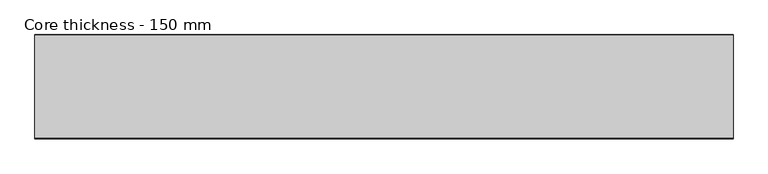
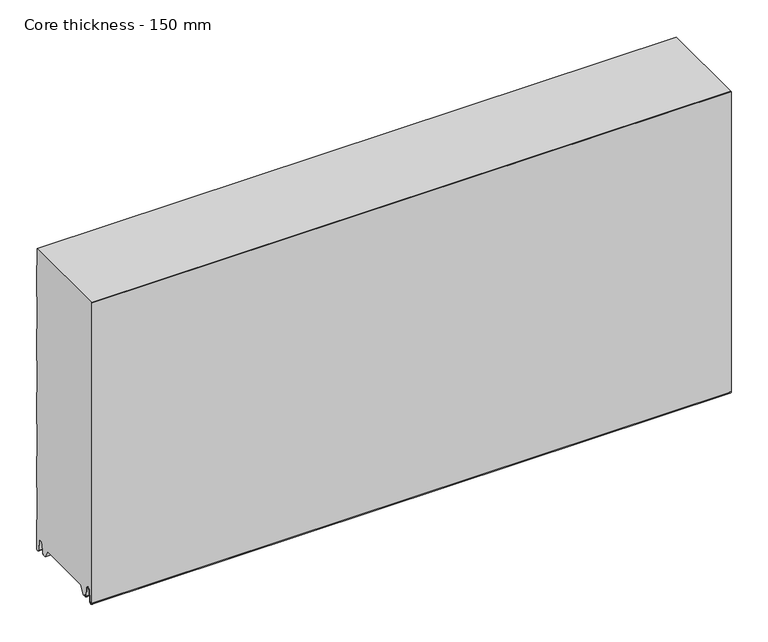
"""IFC4 building model written with IfcOpenShell, lengths in millimetres: plate geometry, Core thickness - 150 mm."""

import ifcopenshell
import ifcopenshell.guid

model = None  # the IFC model being written
_history = None  # IfcOwnerHistory: only IFC2X3 demands one
_inside = {}  # id of a spatial element -> (the spatial element, [elements in it])
_under = {}  # id of a project, library or spatial element -> (it, [spatial elements below it])
_declared = {}  # id of a project -> (the project, [libraries it declares])
_typed = {}  # id of a type object -> (the type object, [elements of that type])
_made_of = {}  # id of a material, layer set ... -> (it, [elements and type objects made of it])


def new_model(schema):
    """Start an empty IFC model of exactly this schema.

    Asked for "IFC4X3", IfcOpenShell would pick the latest addendum, in which some entities
    have other attributes; the version numbers below select the first issue.
    IFC2X3 requires an IfcOwnerHistory on every rooted entity: one is made here for all.
    """
    global model, _history
    if schema == "IFC4X3":
        model = ifcopenshell.file(schema_version=(4, 3, 0, 0))
    else:
        model = ifcopenshell.file(schema=schema)
    _inside.clear()
    _under.clear()
    _declared.clear()
    _typed.clear()
    _made_of.clear()
    _history = None
    if model.schema == "IFC2X3":
        org = make("IfcOrganization", Name="unknown")
        user = make(
            "IfcPersonAndOrganization",
            ThePerson=make("IfcPerson", FamilyName="unknown"),
            TheOrganization=org,
        )
        app = make(
            "IfcApplication",
            ApplicationDeveloper=org,
            Version="unknown",
            ApplicationFullName="unknown",
            ApplicationIdentifier="unknown",
        )
        _history = make(
            "IfcOwnerHistory",
            OwningUser=user,
            OwningApplication=app,
            ChangeAction="ADDED",
            CreationDate=0,
        )
    return model


def make(cls, **values):
    """One entity of the class cls with the attributes given. An attribute that is None is left unset."""
    return model.create_entity(
        cls, **{name: value for name, value in values.items() if value is not None}
    )


def rooted(cls, **values):
    """An entity with a GlobalId (a new one), such as an element, a storey or a relation."""
    return make(cls, GlobalId=ifcopenshell.guid.new(), OwnerHistory=_history, **values)


def si_unit(unit_type, name, prefix=None):
    """IfcSIUnit, for example si_unit("LENGTHUNIT", "METRE", prefix="MILLI")."""
    return make("IfcSIUnit", UnitType=unit_type, Prefix=prefix, Name=name)


def assignment(units):
    """IfcUnitAssignment: the units of a project."""
    return None if units is None else make("IfcUnitAssignment", Units=units)


def point(xyz):
    """IfcCartesianPoint."""
    return None if xyz is None else make("IfcCartesianPoint", Coordinates=xyz)


def direction(xyz):
    """IfcDirection."""
    return None if xyz is None else make("IfcDirection", DirectionRatios=xyz)


def frame(location, z_axis=None, x_axis=None):
    """IfcAxis2Placement3D, a coordinate frame: its origin and axes. An axis left out is left unset."""
    return make(
        "IfcAxis2Placement3D",
        Location=point(location),
        Axis=direction(z_axis),
        RefDirection=direction(x_axis),
    )


def origin():
    """The frame at (0, 0, 0) with its axes left unset."""
    return frame((0.0, 0.0, 0.0))


def place(relative_to, where):
    """IfcLocalPlacement: puts the frame where relative to a parent placement (None: the world)."""
    return make(
        "IfcLocalPlacement", PlacementRelTo=relative_to, RelativePlacement=where
    )


def context(
    kind, dimensions, precision=None, world=None, true_north=None, identifier=None
):
    """IfcGeometricRepresentationContext, for example the 3D "Model" context."""
    return make(
        "IfcGeometricRepresentationContext",
        ContextIdentifier=identifier,
        ContextType=kind,
        CoordinateSpaceDimension=dimensions,
        Precision=precision,
        WorldCoordinateSystem=world,
        TrueNorth=true_north,
    )


def project(units=None, contexts=None):
    """IfcProject with its units and contexts."""
    return rooted(
        "IfcProject",
        Name="project",
        RepresentationContexts=contexts,
        UnitsInContext=assignment(units),
    )


def spatial(cls, under=None, at=None, **own):
    """A site, building, storey or space (cls), placed at a placement, below another one or the project."""
    s = rooted(cls, ObjectPlacement=at, **own)
    if under is not None:
        _under.setdefault(under.id(), (under, []))[1].append(s)
    return s


def polyline(points):
    """IfcPolyline through the points."""
    return make("IfcPolyline", Points=[point(p) for p in points])


def circle_curve(where, radius):
    """IfcCircle in the frame where."""
    return make("IfcCircle", Position=where, Radius=radius)


def shape(context_of_items, identifier, shape_type, items):
    """IfcShapeRepresentation: the items that make up one representation, for example the "Body"."""
    return make(
        "IfcShapeRepresentation",
        ContextOfItems=context_of_items,
        RepresentationIdentifier=identifier,
        RepresentationType=shape_type,
        Items=items,
    )


def source(mapping_origin, context_of_items, identifier, shape_type, items):
    """IfcRepresentationMap: a shape defined once, which mapped items show again and again."""
    return make(
        "IfcRepresentationMap",
        MappingOrigin=mapping_origin,
        MappedRepresentation=shape(context_of_items, identifier, shape_type, items),
    )


def transform(
    local_origin,
    x_axis=None,
    y_axis=None,
    z_axis=None,
    scale=None,
    scale2=None,
    scale3=None,
    uniform=True,
):
    """IfcCartesianTransformationOperator3D, or its non-uniform kind. x_axis, y_axis, z_axis: its Axis1, 2, 3."""
    if uniform:
        return make(
            "IfcCartesianTransformationOperator3D",
            Axis1=direction(x_axis),
            Axis2=direction(y_axis),
            LocalOrigin=point(local_origin),
            Scale=scale,
            Axis3=direction(z_axis),
        )
    return make(
        "IfcCartesianTransformationOperator3DnonUniform",
        Axis1=direction(x_axis),
        Axis2=direction(y_axis),
        LocalOrigin=point(local_origin),
        Scale=scale,
        Axis3=direction(z_axis),
        Scale2=scale2,
        Scale3=scale3,
    )


def mapped(mapping_source, mapping_target):
    """IfcMappedItem: shows the shape of a source again, moved by a transform."""
    return make(
        "IfcMappedItem", MappingSource=mapping_source, MappingTarget=mapping_target
    )


def made_of(thing, what):
    """Note that an element or type object is made of a material, layer set ...; save() writes the relation."""
    if what is not None:
        _made_of.setdefault(what.id(), (what, []))[1].append(thing)
    return thing


def element(
    cls,
    number,
    at=None,
    inside=None,
    cuts=None,
    type_object=None,
    material=None,
    context=None,
    identifier="Body",
    shape_type=None,
    held_by="IfcProductDefinitionShape",
    body=None,
    shapes=None,
    **own,
):
    """One element of the class cls, such as IfcWall. Its Tag is "e" and its number.

    at: its placement. inside: the storey or other place that contains it. cuts: it is an
    opening in that element (IfcRelVoidsElement). A single representation is given by context,
    identifier, shape_type and body (its items); several are given by shapes. held_by: the class
    of the entity that holds the representations. save() writes the other relations.
    """
    e = rooted(cls, Tag="e%d" % number, ObjectPlacement=at, **own)
    if body is not None:
        shapes = [shape(context, identifier, shape_type, body)]
    if shapes is not None:
        e.Representation = make(held_by, Representations=shapes)
    if inside is not None:
        _inside.setdefault(inside.id(), (inside, []))[1].append(e)
    if cuts is not None:
        rooted(
            "IfcRelVoidsElement", RelatingBuildingElement=cuts, RelatedOpeningElement=e
        )
    if type_object is not None:
        _typed.setdefault(type_object.id(), (type_object, []))[1].append(e)
    return made_of(e, material)


def aggregate(whole, parts):
    """IfcRelAggregates: a whole, such as a stair, and the parts it consists of."""
    return rooted("IfcRelAggregates", RelatingObject=whole, RelatedObjects=parts)


def save(model, path):
    """Write the relations noted so far, then the file.

    IfcRelAggregates (storeys below a building ...), IfcRelContainedInSpatialStructure (elements
    in a storey), IfcRelDefinesByType, IfcRelAssociatesMaterial and IfcRelDeclares: one each for
    every whole, place, type object, material and project.
    """
    for whole, parts in _under.values():
        aggregate(whole, parts)
    for where, things in _inside.values():
        rooted(
            "IfcRelContainedInSpatialStructure",
            RelatedElements=things,
            RelatingStructure=where,
        )
    for kind, things in _typed.values():
        rooted("IfcRelDefinesByType", RelatedObjects=things, RelatingType=kind)
    for what, things in _made_of.values():
        rooted("IfcRelAssociatesMaterial", RelatedObjects=things, RelatingMaterial=what)
    for by, libraries in _declared.values():
        rooted("IfcRelDeclares", RelatingContext=by, RelatedDefinitions=libraries)
    model.write(path)


def plane_surface(at):
    """IfcPlane: the flat surface through the origin of the frame at, square to its z axis."""
    return make("IfcPlane", Position=at)


def cylinder_surface(at, radius):
    """IfcCylindricalSurface: all points at the distance radius from the z axis of the frame at."""
    return make("IfcCylindricalSurface", Position=at, Radius=radius)


def revolved_surface(curve, axis_point, axis_direction):
    """IfcSurfaceOfRevolution: the curve turned about the line through axis_point along axis_direction."""
    return make(
        "IfcSurfaceOfRevolution",
        SweptCurve=make("IfcArbitraryOpenProfileDef", ProfileType="CURVE", Curve=curve),
        AxisPosition=make("IfcAxis1Placement", Location=point(axis_point), Axis=direction(axis_direction)),
    )


def advanced_brep(points, edges, surfaces, faces):
    """IfcAdvancedBrep: a solid bounded by faces that lie on surfaces and meet in shared edges.

    An edge is (start, end): straight between two places in points (the first is 0);
    or (start, end, curve); or (start, end, curve, False) where it runs against its curve.
    A face is (place in surfaces, loops), or (place, loops, False) where it looks against
    its surface's normal. A loop lists edges by number (the first is 1), with a minus sign
    where the edge is run from its end to its start. The first loop is the outer one.
    """
    corners = [point(p) for p in points]
    vertices = [make("IfcVertexPoint", VertexGeometry=c) for c in corners]
    made = []
    for start, end, *more in edges:
        made.append(
            make(
                "IfcEdgeCurve",
                EdgeStart=vertices[start],
                EdgeEnd=vertices[end],
                EdgeGeometry=more[0] if more else make("IfcPolyline", Points=[corners[start], corners[end]]),
                SameSense=more[1] if len(more) > 1 else True,
            )
        )
    hull = []
    for where, loops, *sense in faces:
        bounds = []
        for j, loop in enumerate(loops):
            ring = [make("IfcOrientedEdge", EdgeElement=made[abs(k) - 1], Orientation=k > 0) for k in loop]
            bounds.append(
                make(
                    "IfcFaceOuterBound" if j == 0 else "IfcFaceBound",
                    Bound=make("IfcEdgeLoop", EdgeList=ring),
                    Orientation=True,
                )
            )
        hull.append(make("IfcAdvancedFace", Bounds=bounds, FaceSurface=surfaces[where], SameSense=sense[0] if sense else True))
    return make("IfcAdvancedBrep", Outer=make("IfcClosedShell", CfsFaces=hull))


def core_thickness_150_mm_644fc49a(model_context):
    return source(origin(), model_context, "Body", "AdvancedBrep", [
        advanced_brep(
        [(500.0000002, -149.9996949, 3.0900682), (500.0000002, -143.81449, 2.7875612), (500.0000002, -142.197116, 19.2828169), (500.0000002, -139.1776715, 21.9898782), (500.0000002, -136.1582271, 19.2828169), (500.0000002, -134.7725998, 5.1510966), (500.0000002, -130.3830995, 5.365779), (500.0000002, -131.1830995, 5.365779), (500.0000002, -133.9764178, 5.2291629), (500.0000002, -135.3620451, 19.3608832), (500.0000002, -139.1776715, 22.7899182), (500.0000002, -142.9932979, 19.3608832), (500.0000002, -144.6106719, 2.8656275), (500.0000002, -149.1996949, 3.0900682), (500.0000002, -149.2, 500.0), (500.0000002, -149.9996949, 500.0), (-500.0000002, -149.1996949, 3.0900682), (-500.0000002, -144.6106719, 2.8656275), (-500.0000002, -142.9932979, 19.3608832), (-500.0000002, -139.1776715, 22.7899182), (-500.0000002, -135.3620451, 19.3608832), (-500.0000002, -133.9764178, 5.2291629), (-500.0000002, -131.1830995, 5.365779), (-500.0000002, -130.3830995, 5.365779), (-500.0000002, -134.7725998, 5.1510966), (-500.0000002, -136.1582271, 19.2828169), (-500.0000002, -139.1776715, 21.9898782), (-500.0000002, -142.197116, 19.2828169), (-500.0000002, -143.81449, 2.7875612), (-500.0000002, -149.9996949, 3.0900682), (-500.0000002, -149.9996949, 500.0), (-500.0000002, -149.2, 500.0)],
        [
            (0, 1, circle_curve(frame((500.0000002, -146.8996949, 3.0900682), z_axis=(1.0, 0.0, 0.0), x_axis=(0.0, 0.0, -1.0)), 3.1)),
            (1, 2),
            (2, 3, circle_curve(frame((500.0000002, -139.2114338, 18.9900682), z_axis=(-1.0, 0.0, 0.0), x_axis=(0.0, 0.0, -1.0)), 3.0)),
            (3, 4, circle_curve(frame((500.0000002, -139.1439093, 18.9900682), z_axis=(-1.0, 0.0, 0.0), x_axis=(0.0, 0.0, -1.0)), 3.0)),
            (4, 5),
            (5, 6, circle_curve(frame((500.0000002, -132.5830995, 5.365779), z_axis=(1.0, 0.0, 0.0), x_axis=(0.0, 0.0, -1.0)), 2.2)),
            (6, 7),
            (7, 8, circle_curve(frame((500.0000002, -132.5830995, 5.365779), z_axis=(-1.0, 0.0, 0.0), x_axis=(0.0, 0.0, -1.0)), 1.4)),
            (8, 9),
            (9, 10, circle_curve(frame((500.0000002, -139.1439093, 18.9900682), z_axis=(1.0, 0.0, 0.0), x_axis=(0.0, 0.0, -1.0)), 3.8)),
            (10, 11, circle_curve(frame((500.0000002, -139.2114338, 18.9900682), z_axis=(1.0, 0.0, 0.0), x_axis=(0.0, 0.0, -1.0)), 3.8)),
            (11, 12),
            (12, 13, circle_curve(frame((500.0000002, -146.8996949, 3.0900682), z_axis=(-1.0, 0.0, 0.0), x_axis=(0.0, 0.0, -1.0)), 2.3)),
            (13, 14),
            (14, 15),
            (15, 0),
            (16, 17, circle_curve(frame((-500.0000002, -146.8996949, 3.0900682), z_axis=(1.0, 0.0, 0.0), x_axis=(0.0, 0.0, -1.0)), 2.3)),
            (17, 18),
            (18, 19, circle_curve(frame((-500.0000002, -139.2114338, 18.9900682), z_axis=(-1.0, 0.0, 0.0), x_axis=(0.0, 0.0, -1.0)), 3.8)),
            (19, 20, circle_curve(frame((-500.0000002, -139.1439093, 18.9900682), z_axis=(-1.0, 0.0, 0.0), x_axis=(0.0, 0.0, -1.0)), 3.8)),
            (20, 21),
            (21, 22, circle_curve(frame((-500.0000002, -132.5830995, 5.365779), z_axis=(1.0, 0.0, 0.0), x_axis=(0.0, 0.0, -1.0)), 1.4)),
            (22, 23),
            (23, 24, circle_curve(frame((-500.0000002, -132.5830995, 5.365779), z_axis=(-1.0, 0.0, 0.0), x_axis=(0.0, 0.0, -1.0)), 2.2)),
            (24, 25),
            (25, 26, circle_curve(frame((-500.0000002, -139.1439093, 18.9900682), z_axis=(1.0, 0.0, 0.0), x_axis=(0.0, 0.0, -1.0)), 3.0)),
            (26, 27, circle_curve(frame((-500.0000002, -139.2114338, 18.9900682), z_axis=(1.0, 0.0, 0.0), x_axis=(0.0, 0.0, -1.0)), 3.0)),
            (27, 28),
            (28, 29, circle_curve(frame((-500.0000002, -146.8996949, 3.0900682), z_axis=(-1.0, 0.0, 0.0), x_axis=(0.0, 0.0, -1.0)), 3.1)),
            (29, 30),
            (30, 31),
            (31, 16),
            (13, 16),
            (31, 14),
            (12, 17),
            (11, 18),
            (10, 19),
            (9, 20),
            (8, 21),
            (7, 22),
            (6, 23),
            (5, 24),
            (4, 25),
            (3, 26),
            (2, 27),
            (1, 28),
            (0, 29),
            (15, 30),
        ],
        [
            plane_surface(frame((500.0000002, -150.0, 0.0), z_axis=(1.0, 0.0, 0.0), x_axis=(0.0, 1.0, 0.0))),
            plane_surface(frame((-500.0000002, -150.0, 0.0), z_axis=(-1.0, 0.0, 0.0), x_axis=(0.0, 1.0, 0.0))),
            plane_surface(frame((500.0000002, -149.2, 3.0900682), z_axis=(0.0, 1.0, 0.0), x_axis=(-1.0, 0.0, 0.0))),
            revolved_surface(polyline([(-500.0000002, -146.8996949, 0.7900682000000003), (500.0000002, -146.8996949, 0.7900682000000003)]), (500.0000002, -146.8996949, 3.0900682), (-1.0, 0.0, 0.0)),
            plane_surface(frame((500.0000002, -142.9932979, 19.3608832), z_axis=(0.0, -0.9952273999818314, 0.09758289975914787), x_axis=(-1.0, 0.0, 0.0))),
            cylinder_surface(frame((500.0000002, -139.2114338, 18.9900682), z_axis=(1.0, 0.0, 0.0), x_axis=(0.0, 0.0, -1.0)), 3.8),
            cylinder_surface(frame((500.0000002, -139.1439093, 18.9900682), z_axis=(1.0, 0.0, 0.0), x_axis=(0.0, 0.0, -1.0)), 3.8),
            plane_surface(frame((500.0000002, -133.9764178, 5.2291629), z_axis=(0.0, 0.9952273999818297, 0.09758289975916531), x_axis=(-1.0, 0.0, 0.0))),
            revolved_surface(polyline([(-500.0000002, -132.5830995, 3.965779), (500.0000002, -132.5830995, 3.965779)]), (500.0000002, -132.5830995, 5.365779), (-1.0, 0.0, 0.0)),
            plane_surface(frame((500.0000002, -130.3830995, 5.365779), z_axis=(0.0, 0.0, 1.0), x_axis=(-1.0, 0.0, 0.0))),
            cylinder_surface(frame((500.0000002, -132.5830995, 5.365779), z_axis=(1.0, 0.0, 0.0), x_axis=(0.0, 0.0, -1.0)), 2.2),
            plane_surface(frame((500.0000002, -136.1582271, 19.2828169), z_axis=(0.0, -0.9952273999818296, -0.09758289975916527), x_axis=(-1.0, 0.0, 0.0))),
            revolved_surface(polyline([(-500.0000002, -139.1439093, 15.9900682), (500.0000002, -139.1439093, 15.9900682)]), (500.0000002, -139.1439093, 18.9900682), (-1.0, 0.0, 0.0)),
            revolved_surface(polyline([(-500.0000002, -139.2114338, 15.9900682), (500.0000002, -139.2114338, 15.9900682)]), (500.0000002, -139.2114338, 18.9900682), (-1.0, 0.0, 0.0)),
            plane_surface(frame((500.0000002, -143.81449, 2.7875612), z_axis=(0.0, 0.9952273999818314, -0.09758289975914787), x_axis=(-1.0, 0.0, 0.0))),
            cylinder_surface(frame((500.0000002, -146.8996949, 3.0900682), z_axis=(1.0, 0.0, 0.0), x_axis=(0.0, 0.0, -1.0)), 3.1),
            plane_surface(frame((500.0000002, -149.9996949, 993.9000005), z_axis=(0.0, -1.0, 0.0), x_axis=(-1.0, 0.0, 0.0))),
            plane_surface(frame((-500.0000002, 134.0533409, 500.0), z_axis=(0.0, 0.0, 1.0), x_axis=(1.0, 0.0, 0.0))),
        ],
        [
            (0, [[1, 2, 3, 4, 5, 6, 7, 8, 9, 10, 11, 12, 13, 14, 15, 16]]),
            (1, [[17, 18, 19, 20, 21, 22, 23, 24, 25, 26, 27, 28, 29, 30, 31, 32]]),
            (2, [[33, -32, 34, -14]]),
            (3, [[-13, 35, -17, -33]]),
            (4, [[-12, 36, -18, -35]]),
            (5, [[-11, 37, -19, -36]]),
            (6, [[-10, 38, -20, -37]]),
            (7, [[-9, 39, -21, -38]]),
            (8, [[-8, 40, -22, -39]]),
            (9, [[-7, 41, -23, -40]]),
            (10, [[-6, 42, -24, -41]]),
            (11, [[-5, 43, -25, -42]]),
            (12, [[-4, 44, -26, -43]]),
            (13, [[-3, 45, -27, -44]]),
            (14, [[-2, 46, -28, -45]]),
            (15, [[-1, 47, -29, -46]]),
            (16, [[-47, -16, 48, -30]]),
            (17, [[-15, -34, -31, -48]]),
        ],
    ),
        advanced_brep(
        [(500.0000002, -119.873448, 15.1417681), (500.0000002, -30.126552, 15.1417681), (500.0000002, -23.4071318, 3.165779), (500.0000002, -17.4169005, 3.165779), (500.0000002, -19.6169005, 5.365779), (500.0000002, -18.8169005, 5.365779), (500.0000002, -16.0235822, 5.2291629), (500.0000002, -14.6379549, 19.3608832), (500.0000002, -10.8223285, 22.7899182), (500.0000002, -7.0067021, 19.3608832), (500.0000002, -5.3893281, 2.8656275), (500.0000002, -0.8003051, 3.0900682), (500.0000002, -0.8, 49.9459237), (500.0000002, -1.0986697, 50.9973395), (500.0000002, -1.5003051, 52.4177205), (500.0000002, -1.5003051, 102.5775037), (500.0000002, -1.0971009, 103.9969151), (500.0000002, -0.8, 105.0493005), (500.0000002, -0.8, 155.2090837), (500.0000002, -1.0986697, 156.2604995), (500.0000002, -1.5003051, 157.6808805), (500.0000002, -1.5003051, 207.8406637), (500.0000002, -1.0971009, 209.2600751), (500.0000002, -0.8, 210.3124605), (500.0000002, -0.8, 260.4722437), (500.0000002, -1.0986697, 261.5236595), (500.0000002, -1.5003051, 262.9440405), (500.0000002, -1.5003051, 313.1038237), (500.0000002, -1.0971009, 314.5232351), (500.0000002, -0.8, 315.5756205), (500.0000002, -0.8, 365.7354037), (500.0000002, -1.0986697, 366.7868195), (500.0000002, -1.5003051, 368.2072005), (500.0000002, -1.5003051, 418.3669837), (500.0000002, -1.0971009, 419.7863951), (500.0000002, -0.8, 420.8387805), (500.0000002, -0.8, 470.9985637), (500.0000002, -1.0986697, 472.0499795), (500.0000002, -1.5003051, 473.4703605), (500.0000002, -1.5003051, 500.0), (500.0000002, -149.2, 500.0), (500.0000002, -149.2, 3.0900682), (500.0000002, -144.6106719, 2.8656275), (500.0000002, -142.9932979, 19.3608832), (500.0000002, -139.1776715, 22.7899182), (500.0000002, -135.3620451, 19.3608832), (500.0000002, -133.9764178, 5.2291629), (500.0000002, -131.1830995, 5.365779), (500.0000002, -130.3830995, 5.365779), (500.0000002, -132.5830995, 3.165779), (500.0000002, -126.5928682, 3.165779), (-500.0000002, -30.126552, 15.1417681), (-500.0000002, -119.873448, 15.1417681), (-500.0000002, -126.5928682, 3.165779), (-500.0000002, -132.5830995, 3.165779), (-500.0000002, -130.3830995, 5.365779), (-500.0000002, -131.1830995, 5.365779), (-500.0000002, -133.9764178, 5.2291629), (-500.0000002, -135.3620451, 19.3608832), (-500.0000002, -139.1776715, 22.7899182), (-500.0000002, -142.9932979, 19.3608832), (-500.0000002, -144.6106719, 2.8656275), (-500.0000002, -149.1996949, 3.0900682), (-500.0000002, -149.2, 500.0), (-500.0000002, -1.5003051, 500.0), (-500.0000002, -1.5003051, 473.4703605), (-500.0000002, -1.0971009, 472.0509491), (-500.0000002, -0.8, 470.9985637), (-500.0000002, -0.8, 420.8387805), (-500.0000002, -1.0986697, 419.7873646), (-500.0000002, -1.5003051, 418.3669837), (-500.0000002, -1.5003051, 368.2072005), (-500.0000002, -1.0971009, 366.7877891), (-500.0000002, -0.8, 365.7354037), (-500.0000002, -0.8, 315.5756205), (-500.0000002, -1.0986697, 314.5242046), (-500.0000002, -1.5003051, 313.1038237), (-500.0000002, -1.5003051, 262.9440405), (-500.0000002, -1.0971009, 261.5246291), (-500.0000002, -0.8, 260.4722437), (-500.0000002, -0.8, 210.3124605), (-500.0000002, -1.0986697, 209.2610446), (-500.0000002, -1.5003051, 207.8406637), (-500.0000002, -1.5003051, 157.6808805), (-500.0000002, -1.0971009, 156.2614691), (-500.0000002, -0.8, 155.2090837), (-500.0000002, -0.8, 105.0493005), (-500.0000002, -1.0986697, 103.9978846), (-500.0000002, -1.5003051, 102.5775037), (-500.0000002, -1.5003051, 52.4177205), (-500.0000002, -1.0971009, 50.9983091), (-500.0000002, -0.8, 49.9459237), (-500.0000002, -0.8, 3.0900682), (-500.0000002, -5.3893281, 2.8656275), (-500.0000002, -7.0067021, 19.3608832), (-500.0000002, -10.8223285, 22.7899182), (-500.0000002, -14.6379549, 19.3608832), (-500.0000002, -16.0235822, 5.2291629), (-500.0000002, -18.8169005, 5.365779), (-500.0000002, -19.6169005, 5.365779), (-500.0000002, -17.4169005, 3.165779), (-500.0000002, -23.4071318, 3.165779)],
        [
            (0, 1),
            (1, 2),
            (2, 3),
            (3, 4, circle_curve(frame((500.0000002, -17.4169005, 5.365779), z_axis=(-1.0, 0.0, 0.0), x_axis=(0.0, 0.0, -1.0)), 2.2)),
            (4, 5),
            (5, 6, circle_curve(frame((500.0000002, -17.4169005, 5.365779), z_axis=(1.0, 0.0, 0.0), x_axis=(0.0, 0.0, -1.0)), 1.4)),
            (6, 7),
            (7, 8, circle_curve(frame((500.0000002, -10.8560907, 18.9900682), z_axis=(-1.0, 0.0, 0.0), x_axis=(0.0, 0.0, -1.0)), 3.8)),
            (8, 9, circle_curve(frame((500.0000002, -10.7885662, 18.9900682), z_axis=(-1.0, 0.0, 0.0), x_axis=(0.0, 0.0, -1.0)), 3.8)),
            (9, 10),
            (10, 11, circle_curve(frame((500.0000002, -3.1003051, 3.0900682), z_axis=(1.0, 0.0, 0.0), x_axis=(0.0, 0.0, -1.0)), 2.3)),
            (11, 12),
            (12, 13, circle_curve(frame((500.0000002, -2.8, 49.9459237), z_axis=(1.0, 0.0, 0.0), x_axis=(0.0, 0.0, -1.0)), 2.0)),
            (13, 14, circle_curve(frame((500.0000002, 1.1996949, 52.4177205), z_axis=(-1.0, 0.0, 0.0), x_axis=(0.0, 0.0, -1.0)), 2.7)),
            (14, 15),
            (15, 16, circle_curve(frame((500.0000002, 1.1996949, 102.5775037), z_axis=(-1.0, 0.0, 0.0), x_axis=(0.0, 0.0, -1.0)), 2.7)),
            (16, 17, circle_curve(frame((500.0000002, -2.8, 105.0493005), z_axis=(1.0, 0.0, 0.0), x_axis=(0.0, 0.0, -1.0)), 2.0)),
            (17, 18),
            (18, 19, circle_curve(frame((500.0000002, -2.8, 155.2090837), z_axis=(1.0, 0.0, 0.0), x_axis=(0.0, 0.0, -1.0)), 2.0)),
            (19, 20, circle_curve(frame((500.0000002, 1.1996949, 157.6808805), z_axis=(-1.0, 0.0, 0.0), x_axis=(0.0, 0.0, -1.0)), 2.7)),
            (20, 21),
            (21, 22, circle_curve(frame((500.0000002, 1.1996949, 207.8406637), z_axis=(-1.0, 0.0, 0.0), x_axis=(0.0, 0.0, -1.0)), 2.7)),
            (22, 23, circle_curve(frame((500.0000002, -2.8, 210.3124605), z_axis=(1.0, 0.0, 0.0), x_axis=(0.0, 0.0, -1.0)), 2.0)),
            (23, 24),
            (24, 25, circle_curve(frame((500.0000002, -2.8, 260.4722437), z_axis=(1.0, 0.0, 0.0), x_axis=(0.0, 0.0, -1.0)), 2.0)),
            (25, 26, circle_curve(frame((500.0000002, 1.1996949, 262.9440405), z_axis=(-1.0, 0.0, 0.0), x_axis=(0.0, 0.0, -1.0)), 2.7)),
            (26, 27),
            (27, 28, circle_curve(frame((500.0000002, 1.1996949, 313.1038237), z_axis=(-1.0, 0.0, 0.0), x_axis=(0.0, 0.0, -1.0)), 2.7)),
            (28, 29, circle_curve(frame((500.0000002, -2.8, 315.5756205), z_axis=(1.0, 0.0, 0.0), x_axis=(0.0, 0.0, -1.0)), 2.0)),
            (29, 30),
            (30, 31, circle_curve(frame((500.0000002, -2.8, 365.7354037), z_axis=(1.0, 0.0, 0.0), x_axis=(0.0, 0.0, -1.0)), 2.0)),
            (31, 32, circle_curve(frame((500.0000002, 1.1996949, 368.2072005), z_axis=(-1.0, 0.0, 0.0), x_axis=(0.0, 0.0, -1.0)), 2.7)),
            (32, 33),
            (33, 34, circle_curve(frame((500.0000002, 1.1996949, 418.3669837), z_axis=(-1.0, 0.0, 0.0), x_axis=(0.0, 0.0, -1.0)), 2.7)),
            (34, 35, circle_curve(frame((500.0000002, -2.8, 420.8387805), z_axis=(1.0, 0.0, 0.0), x_axis=(0.0, 0.0, -1.0)), 2.0)),
            (35, 36),
            (36, 37, circle_curve(frame((500.0000002, -2.8, 470.9985637), z_axis=(1.0, 0.0, 0.0), x_axis=(0.0, 0.0, -1.0)), 2.0)),
            (37, 38, circle_curve(frame((500.0000002, 1.1996949, 473.4703605), z_axis=(-1.0, 0.0, 0.0), x_axis=(0.0, 0.0, -1.0)), 2.7)),
            (38, 39),
            (39, 40),
            (40, 41),
            (41, 42, circle_curve(frame((500.0000002, -146.8996949, 3.0900682), z_axis=(1.0, 0.0, 0.0), x_axis=(0.0, 0.0, -1.0)), 2.3)),
            (42, 43),
            (43, 44, circle_curve(frame((500.0000002, -139.2114338, 18.9900682), z_axis=(-1.0, 0.0, 0.0), x_axis=(0.0, 0.0, -1.0)), 3.8)),
            (44, 45, circle_curve(frame((500.0000002, -139.1439093, 18.9900682), z_axis=(-1.0, 0.0, 0.0), x_axis=(0.0, 0.0, -1.0)), 3.8)),
            (45, 46),
            (46, 47, circle_curve(frame((500.0000002, -132.5830995, 5.365779), z_axis=(1.0, 0.0, 0.0), x_axis=(0.0, 0.0, -1.0)), 1.4)),
            (47, 48),
            (48, 49, circle_curve(frame((500.0000002, -132.5830995, 5.365779), z_axis=(-1.0, 0.0, 0.0), x_axis=(0.0, 0.0, -1.0)), 2.2)),
            (49, 50),
            (50, 0),
            (51, 52),
            (52, 53),
            (53, 54),
            (54, 55, circle_curve(frame((-500.0000002, -132.5830995, 5.365779), z_axis=(1.0, 0.0, 0.0), x_axis=(0.0, 0.0, -1.0)), 2.2)),
            (55, 56),
            (56, 57, circle_curve(frame((-500.0000002, -132.5830995, 5.365779), z_axis=(-1.0, 0.0, 0.0), x_axis=(0.0, 0.0, -1.0)), 1.4)),
            (57, 58),
            (58, 59, circle_curve(frame((-500.0000002, -139.1439093, 18.9900682), z_axis=(1.0, 0.0, 0.0), x_axis=(0.0, 0.0, -1.0)), 3.8)),
            (59, 60, circle_curve(frame((-500.0000002, -139.2114338, 18.9900682), z_axis=(1.0, 0.0, 0.0), x_axis=(0.0, 0.0, -1.0)), 3.8)),
            (60, 61),
            (61, 62, circle_curve(frame((-500.0000002, -146.8996949, 3.0900682), z_axis=(-1.0, 0.0, 0.0), x_axis=(0.0, 0.0, -1.0)), 2.3)),
            (62, 63),
            (63, 64),
            (64, 65),
            (65, 66, circle_curve(frame((-500.0000002, 1.1996949, 473.4703605), z_axis=(1.0, 0.0, 0.0), x_axis=(0.0, 0.0, -1.0)), 2.7)),
            (66, 67, circle_curve(frame((-500.0000002, -2.8, 470.9985637), z_axis=(-1.0, 0.0, 0.0), x_axis=(0.0, 0.0, -1.0)), 2.0)),
            (67, 68),
            (68, 69, circle_curve(frame((-500.0000002, -2.8, 420.8387805), z_axis=(-1.0, 0.0, 0.0), x_axis=(0.0, 0.0, -1.0)), 2.0)),
            (69, 70, circle_curve(frame((-500.0000002, 1.1996949, 418.3669837), z_axis=(1.0, 0.0, 0.0), x_axis=(0.0, 0.0, -1.0)), 2.7)),
            (70, 71),
            (71, 72, circle_curve(frame((-500.0000002, 1.1996949, 368.2072005), z_axis=(1.0, 0.0, 0.0), x_axis=(0.0, 0.0, -1.0)), 2.7)),
            (72, 73, circle_curve(frame((-500.0000002, -2.8, 365.7354037), z_axis=(-1.0, 0.0, 0.0), x_axis=(0.0, 0.0, -1.0)), 2.0)),
            (73, 74),
            (74, 75, circle_curve(frame((-500.0000002, -2.8, 315.5756205), z_axis=(-1.0, 0.0, 0.0), x_axis=(0.0, 0.0, -1.0)), 2.0)),
            (75, 76, circle_curve(frame((-500.0000002, 1.1996949, 313.1038237), z_axis=(1.0, 0.0, 0.0), x_axis=(0.0, 0.0, -1.0)), 2.7)),
            (76, 77),
            (77, 78, circle_curve(frame((-500.0000002, 1.1996949, 262.9440405), z_axis=(1.0, 0.0, 0.0), x_axis=(0.0, 0.0, -1.0)), 2.7)),
            (78, 79, circle_curve(frame((-500.0000002, -2.8, 260.4722437), z_axis=(-1.0, 0.0, 0.0), x_axis=(0.0, 0.0, -1.0)), 2.0)),
            (79, 80),
            (80, 81, circle_curve(frame((-500.0000002, -2.8, 210.3124605), z_axis=(-1.0, 0.0, 0.0), x_axis=(0.0, 0.0, -1.0)), 2.0)),
            (81, 82, circle_curve(frame((-500.0000002, 1.1996949, 207.8406637), z_axis=(1.0, 0.0, 0.0), x_axis=(0.0, 0.0, -1.0)), 2.7)),
            (82, 83),
            (83, 84, circle_curve(frame((-500.0000002, 1.1996949, 157.6808805), z_axis=(1.0, 0.0, 0.0), x_axis=(0.0, 0.0, -1.0)), 2.7)),
            (84, 85, circle_curve(frame((-500.0000002, -2.8, 155.2090837), z_axis=(-1.0, 0.0, 0.0), x_axis=(0.0, 0.0, -1.0)), 2.0)),
            (85, 86),
            (86, 87, circle_curve(frame((-500.0000002, -2.8, 105.0493005), z_axis=(-1.0, 0.0, 0.0), x_axis=(0.0, 0.0, -1.0)), 2.0)),
            (87, 88, circle_curve(frame((-500.0000002, 1.1996949, 102.5775037), z_axis=(1.0, 0.0, 0.0), x_axis=(0.0, 0.0, -1.0)), 2.7)),
            (88, 89),
            (89, 90, circle_curve(frame((-500.0000002, 1.1996949, 52.4177205), z_axis=(1.0, 0.0, 0.0), x_axis=(0.0, 0.0, -1.0)), 2.7)),
            (90, 91, circle_curve(frame((-500.0000002, -2.8, 49.9459237), z_axis=(-1.0, 0.0, 0.0), x_axis=(0.0, 0.0, -1.0)), 2.0)),
            (91, 92),
            (92, 93, circle_curve(frame((-500.0000002, -3.1003051, 3.0900682), z_axis=(-1.0, 0.0, 0.0), x_axis=(0.0, 0.0, -1.0)), 2.3)),
            (93, 94),
            (94, 95, circle_curve(frame((-500.0000002, -10.7885662, 18.9900682), z_axis=(1.0, 0.0, 0.0), x_axis=(0.0, 0.0, -1.0)), 3.8)),
            (95, 96, circle_curve(frame((-500.0000002, -10.8560907, 18.9900682), z_axis=(1.0, 0.0, 0.0), x_axis=(0.0, 0.0, -1.0)), 3.8)),
            (96, 97),
            (97, 98, circle_curve(frame((-500.0000002, -17.4169005, 5.365779), z_axis=(-1.0, 0.0, 0.0), x_axis=(0.0, 0.0, -1.0)), 1.4)),
            (98, 99),
            (99, 100, circle_curve(frame((-500.0000002, -17.4169005, 5.365779), z_axis=(1.0, 0.0, 0.0), x_axis=(0.0, 0.0, -1.0)), 2.2)),
            (100, 101),
            (101, 51),
            (1, 51),
            (101, 2),
            (0, 52),
            (50, 53),
            (99, 4),
            (3, 100),
            (98, 5),
            (97, 6),
            (96, 7),
            (95, 8),
            (94, 9),
            (93, 10),
            (92, 11),
            (91, 12),
            (90, 13),
            (89, 14),
            (88, 15),
            (87, 16),
            (86, 17),
            (85, 18),
            (84, 19),
            (83, 20),
            (82, 21),
            (81, 22),
            (80, 23),
            (79, 24),
            (78, 25),
            (77, 26),
            (76, 27),
            (75, 28),
            (74, 29),
            (73, 30),
            (72, 31),
            (71, 32),
            (70, 33),
            (69, 34),
            (68, 35),
            (67, 36),
            (66, 37),
            (65, 38),
            (64, 39),
            (62, 41),
            (40, 63),
            (61, 42),
            (60, 43),
            (59, 44),
            (58, 45),
            (57, 46),
            (56, 47),
            (55, 48),
            (54, 49),
        ],
        [
            plane_surface(frame((500.0000002, 0.0, 0.0), z_axis=(1.0, 0.0, 0.0), x_axis=(0.0, -1.0, 0.0))),
            plane_surface(frame((-500.0000002, 0.0, 0.0), z_axis=(-1.0, 0.0, 0.0), x_axis=(0.0, -1.0, 0.0))),
            plane_surface(frame((500.0000002, -30.126552, 15.1417681), z_axis=(0.0, -0.8721062992196836, -0.4893164649399687), x_axis=(-1.0, 0.0, 0.0))),
            plane_surface(frame((500.0000002, -119.873448, 15.1417681), z_axis=(0.0, 0.0, -1.0), x_axis=(-1.0, 0.0, 0.0))),
            plane_surface(frame((500.0000002, -126.8190247, 2.7627014), z_axis=(0.0, 0.8721062992196852, -0.48931646493996606), x_axis=(-1.0, 0.0, 0.0))),
            revolved_surface(polyline([(500.0000002, -17.4169005, 3.1657789999999997), (-500.00000020000004, -17.4169005, 3.1657789999999997)]), (630.0000002, -17.4169005, 5.365779), (1.0, 0.0, 0.0)),
            plane_surface(frame((630.0000002, -18.8169005, 5.365779), z_axis=(0.0, 0.0, -1.0), x_axis=(-1.0, 0.0, 0.0))),
            cylinder_surface(frame((630.0000002, -17.4169005, 5.365779), z_axis=(-1.0, 0.0, 0.0), x_axis=(0.0, 0.0, -1.0)), 1.4),
            plane_surface(frame((630.0000002, -14.6379549, 19.3608832), z_axis=(0.0, 0.9952273999818297, -0.09758289975916531), x_axis=(-1.0, 0.0, 0.0))),
            revolved_surface(polyline([(500.0000002, -10.8560907, 15.190068199999999), (-500.00000020000004, -10.8560907, 15.190068199999999)]), (630.0000002, -10.8560907, 18.9900682), (1.0, 0.0, 0.0)),
            revolved_surface(polyline([(500.0000002, -10.7885662, 15.190068199999999), (-500.00000020000004, -10.7885662, 15.190068199999999)]), (630.0000002, -10.7885662, 18.9900682), (1.0, 0.0, 0.0)),
            plane_surface(frame((630.0000002, -5.3893281, 2.8656275), z_axis=(0.0, -0.9952273999818314, -0.09758289975914787), x_axis=(-1.0, 0.0, 0.0))),
            cylinder_surface(frame((630.0000002, -3.1003051, 3.0900682), z_axis=(-1.0, 0.0, 0.0), x_axis=(0.0, 0.0, -1.0)), 2.3),
            plane_surface(frame((630.0000002, -0.8, 49.9459237), z_axis=(0.0, 1.0, 0.0), x_axis=(-1.0, 0.0, 0.0))),
            cylinder_surface(frame((630.0000002, -2.8, 49.9459237), z_axis=(-1.0, 0.0, 0.0), x_axis=(0.0, 0.0, -1.0)), 2.0),
            revolved_surface(polyline([(500.0000002, 1.1996949, 49.7177205), (-500.00000020000004, 1.1996949, 49.7177205)]), (630.0000002, 1.1996949, 52.4177205), (1.0, 0.0, 0.0)),
            plane_surface(frame((630.0000002, -1.5003051, 102.5775037), z_axis=(0.0, 1.0, 0.0), x_axis=(-1.0, 0.0, 0.0))),
            revolved_surface(polyline([(500.0000002, 1.1996949, 99.87750369999999), (-500.00000020000004, 1.1996949, 99.87750369999999)]), (630.0000002, 1.1996949, 102.5775037), (1.0, 0.0, 0.0)),
            cylinder_surface(frame((630.0000002, -2.8, 105.0493005), z_axis=(-1.0, 0.0, 0.0), x_axis=(0.0, 0.0, -1.0)), 2.0),
            plane_surface(frame((630.0000002, -0.8, 155.2090837), z_axis=(0.0, 1.0, 0.0), x_axis=(-1.0, 0.0, 0.0))),
            cylinder_surface(frame((630.0000002, -2.8, 155.2090837), z_axis=(-1.0, 0.0, 0.0), x_axis=(0.0, 0.0, -1.0)), 2.0),
            revolved_surface(polyline([(500.0000002, 1.1996949, 154.9808805), (-500.00000020000004, 1.1996949, 154.9808805)]), (630.0000002, 1.1996949, 157.6808805), (1.0, 0.0, 0.0)),
            plane_surface(frame((630.0000002, -1.5003051, 207.8406637), z_axis=(0.0, 1.0, 0.0), x_axis=(-1.0, 0.0, 0.0))),
            revolved_surface(polyline([(500.0000002, 1.1996949, 205.1406637), (-500.00000020000004, 1.1996949, 205.1406637)]), (630.0000002, 1.1996949, 207.8406637), (1.0, 0.0, 0.0)),
            cylinder_surface(frame((630.0000002, -2.8, 210.3124605), z_axis=(-1.0, 0.0, 0.0), x_axis=(0.0, 0.0, -1.0)), 2.0),
            plane_surface(frame((630.0000002, -0.8, 260.4722437), z_axis=(0.0, 1.0, 0.0), x_axis=(-1.0, 0.0, 0.0))),
            cylinder_surface(frame((630.0000002, -2.8, 260.4722437), z_axis=(-1.0, 0.0, 0.0), x_axis=(0.0, 0.0, -1.0)), 2.0),
            revolved_surface(polyline([(500.0000002, 1.1996949, 260.24404050000004), (-500.00000020000004, 1.1996949, 260.24404050000004)]), (630.0000002, 1.1996949, 262.9440405), (1.0, 0.0, 0.0)),
            plane_surface(frame((630.0000002, -1.5003051, 313.1038237), z_axis=(0.0, 1.0, 0.0), x_axis=(-1.0, 0.0, 0.0))),
            revolved_surface(polyline([(500.0000002, 1.1996949, 310.40382370000003), (-500.00000020000004, 1.1996949, 310.40382370000003)]), (630.0000002, 1.1996949, 313.1038237), (1.0, 0.0, 0.0)),
            cylinder_surface(frame((630.0000002, -2.8, 315.5756205), z_axis=(-1.0, 0.0, 0.0), x_axis=(0.0, 0.0, -1.0)), 2.0),
            plane_surface(frame((630.0000002, -0.8, 365.7354037), z_axis=(0.0, 1.0, 0.0), x_axis=(-1.0, 0.0, 0.0))),
            cylinder_surface(frame((630.0000002, -2.8, 365.7354037), z_axis=(-1.0, 0.0, 0.0), x_axis=(0.0, 0.0, -1.0)), 2.0),
            revolved_surface(polyline([(500.0000002, 1.1996949, 365.5072005), (-500.00000020000004, 1.1996949, 365.5072005)]), (630.0000002, 1.1996949, 368.2072005), (1.0, 0.0, 0.0)),
            plane_surface(frame((630.0000002, -1.5003051, 418.3669837), z_axis=(0.0, 1.0, 0.0), x_axis=(-1.0, 0.0, 0.0))),
            revolved_surface(polyline([(500.0000002, 1.1996949, 415.6669837), (-500.00000020000004, 1.1996949, 415.6669837)]), (630.0000002, 1.1996949, 418.3669837), (1.0, 0.0, 0.0)),
            cylinder_surface(frame((630.0000002, -2.8, 420.8387805), z_axis=(-1.0, 0.0, 0.0), x_axis=(0.0, 0.0, -1.0)), 2.0),
            plane_surface(frame((630.0000002, -0.8, 470.9985637), z_axis=(0.0, 1.0, 0.0), x_axis=(-1.0, 0.0, 0.0))),
            cylinder_surface(frame((630.0000002, -2.8, 470.9985637), z_axis=(-1.0, 0.0, 0.0), x_axis=(0.0, 0.0, -1.0)), 2.0),
            revolved_surface(polyline([(500.0000002, 1.1996949, 470.77036050000004), (-500.00000020000004, 1.1996949, 470.77036050000004)]), (630.0000002, 1.1996949, 473.4703605), (1.0, 0.0, 0.0)),
            plane_surface(frame((630.0000002, -1.5003051, 523.6301437), z_axis=(0.0, 1.0, 0.0), x_axis=(-1.0, 0.0, 0.0))),
            plane_surface(frame((630.0000002, -149.2, 3.0900682), z_axis=(0.0, -1.0, 0.0), x_axis=(-1.0, 0.0, 0.0))),
            cylinder_surface(frame((630.0000002, -146.8996949, 3.0900682), z_axis=(-1.0, 0.0, 0.0), x_axis=(0.0, 0.0, -1.0)), 2.3),
            plane_surface(frame((630.0000002, -142.9932979, 19.3608832), z_axis=(0.0, 0.9952273999818314, -0.09758289975914787), x_axis=(-1.0, 0.0, 0.0))),
            revolved_surface(polyline([(500.0000002, -139.2114338, 15.190068199999999), (-500.00000020000004, -139.2114338, 15.190068199999999)]), (630.0000002, -139.2114338, 18.9900682), (1.0, 0.0, 0.0)),
            revolved_surface(polyline([(500.0000002, -139.1439093, 15.190068199999999), (-500.00000020000004, -139.1439093, 15.190068199999999)]), (630.0000002, -139.1439093, 18.9900682), (1.0, 0.0, 0.0)),
            plane_surface(frame((630.0000002, -133.9764178, 5.2291629), z_axis=(0.0, -0.9952273999818297, -0.09758289975916531), x_axis=(-1.0, 0.0, 0.0))),
            cylinder_surface(frame((630.0000002, -132.5830995, 5.365779), z_axis=(-1.0, 0.0, 0.0), x_axis=(0.0, 0.0, -1.0)), 1.4),
            plane_surface(frame((630.0000002, -130.3830995, 5.365779), z_axis=(0.0, 0.0, -1.0), x_axis=(-1.0, 0.0, 0.0))),
            revolved_surface(polyline([(500.0000002, -132.5830995, 3.1657789999999997), (-500.00000020000004, -132.5830995, 3.1657789999999997)]), (630.0000002, -132.5830995, 5.365779), (1.0, 0.0, 0.0)),
            plane_surface(frame((-500.0000002, -132.5830995, 3.165779), z_axis=(0.0, 0.0, -1.0), x_axis=(1.0, 0.0, 0.0))),
            plane_surface(frame((-500.0000002, 134.0533409, 500.0), z_axis=(0.0, 0.0, 1.0), x_axis=(1.0, 0.0, 0.0))),
        ],
        [
            (0, [[1, 2, 3, 4, 5, 6, 7, 8, 9, 10, 11, 12, 13, 14, 15, 16, 17, 18, 19, 20, 21, 22, 23, 24, 25, 26, 27, 28, 29, 30, 31, 32, 33, 34, 35, 36, 37, 38, 39, 40, 41, 42, 43, 44, 45, 46, 47, 48, 49, 50, 51]]),
            (1, [[52, 53, 54, 55, 56, 57, 58, 59, 60, 61, 62, 63, 64, 65, 66, 67, 68, 69, 70, 71, 72, 73, 74, 75, 76, 77, 78, 79, 80, 81, 82, 83, 84, 85, 86, 87, 88, 89, 90, 91, 92, 93, 94, 95, 96, 97, 98, 99, 100, 101, 102]]),
            (2, [[103, -102, 104, -2]]),
            (3, [[-1, 105, -52, -103]]),
            (4, [[-105, -51, 106, -53]]),
            (5, [[107, -4, 108, -100]]),
            (6, [[-107, -99, 109, -5]]),
            (7, [[-109, -98, 110, -6]]),
            (8, [[-110, -97, 111, -7]]),
            (9, [[-111, -96, 112, -8]]),
            (10, [[-112, -95, 113, -9]]),
            (11, [[-113, -94, 114, -10]]),
            (12, [[-114, -93, 115, -11]]),
            (13, [[-115, -92, 116, -12]]),
            (14, [[-116, -91, 117, -13]]),
            (15, [[-117, -90, 118, -14]]),
            (16, [[-118, -89, 119, -15]]),
            (17, [[-119, -88, 120, -16]]),
            (18, [[-120, -87, 121, -17]]),
            (19, [[-121, -86, 122, -18]]),
            (20, [[-122, -85, 123, -19]]),
            (21, [[-123, -84, 124, -20]]),
            (22, [[-124, -83, 125, -21]]),
            (23, [[-125, -82, 126, -22]]),
            (24, [[-126, -81, 127, -23]]),
            (25, [[-127, -80, 128, -24]]),
            (26, [[-128, -79, 129, -25]]),
            (27, [[-129, -78, 130, -26]]),
            (28, [[-130, -77, 131, -27]]),
            (29, [[-131, -76, 132, -28]]),
            (30, [[-132, -75, 133, -29]]),
            (31, [[-133, -74, 134, -30]]),
            (32, [[-134, -73, 135, -31]]),
            (33, [[-135, -72, 136, -32]]),
            (34, [[-136, -71, 137, -33]]),
            (35, [[-137, -70, 138, -34]]),
            (36, [[-138, -69, 139, -35]]),
            (37, [[-139, -68, 140, -36]]),
            (38, [[-140, -67, 141, -37]]),
            (39, [[-141, -66, 142, -38]]),
            (40, [[-142, -65, 143, -39]]),
            (41, [[144, -41, 145, -63]]),
            (42, [[-144, -62, 146, -42]]),
            (43, [[-146, -61, 147, -43]]),
            (44, [[-147, -60, 148, -44]]),
            (45, [[-148, -59, 149, -45]]),
            (46, [[-149, -58, 150, -46]]),
            (47, [[-150, -57, 151, -47]]),
            (48, [[-151, -56, 152, -48]]),
            (49, [[-152, -55, 153, -49]]),
            (50, [[-3, -104, -101, -108]]),
            (50, [[-50, -153, -54, -106]]),
            (51, [[-143, -64, -145, -40]]),
        ],
    ),
    ])


if __name__ == "__main__":
    model = new_model("IFC4")
    model_context = context("Model", 3, world=origin())
    ifc_project = project(units=[si_unit("LENGTHUNIT", "METRE", prefix="MILLI")], contexts=[model_context])
    site = spatial("IfcSite", under=ifc_project)
    building = spatial("IfcBuilding", under=site)
    placement = place(None, origin())
    core_thickness_150_mm_shape = core_thickness_150_mm_644fc49a(model_context)
    element("IfcPlate", 1, ObjectType="Core thickness - 150 mm", at=placement, inside=building, context=model_context, shape_type="MappedRepresentation", body=[
        mapped(core_thickness_150_mm_shape, transform((0.0, 0.0, 0.0), x_axis=(1.0, 0.0, 0.0), y_axis=(0.0, 1.0, 0.0), z_axis=(0.0, 0.0, 1.0))),
    ])
    save(model, "model.ifc")
